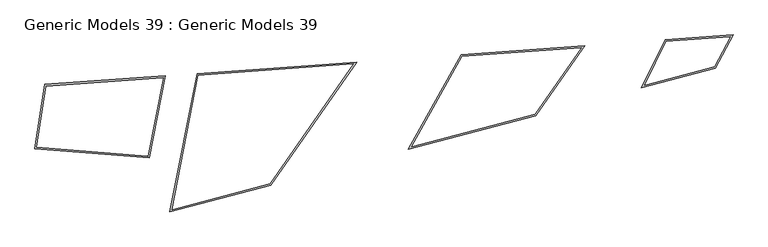
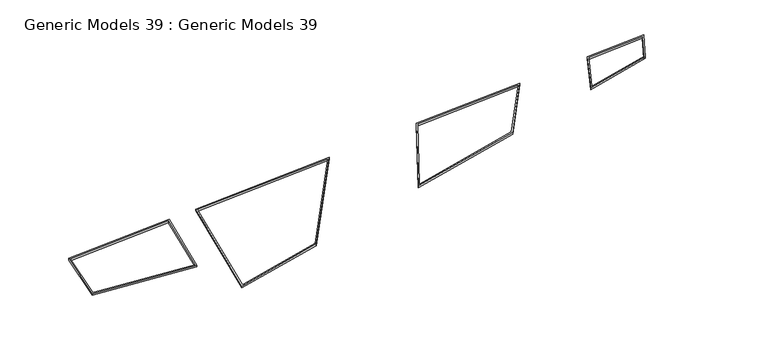
"""IFC4 building model written with IfcOpenShell, lengths in millimetres: proxy geometry, Generic Models 39 : Generic Models 39."""

import ifcopenshell
import ifcopenshell.guid

model = None  # the IFC model being written
_history = None  # IfcOwnerHistory: only IFC2X3 demands one
_inside = {}  # id of a spatial element -> (the spatial element, [elements in it])
_under = {}  # id of a project, library or spatial element -> (it, [spatial elements below it])
_declared = {}  # id of a project -> (the project, [libraries it declares])
_typed = {}  # id of a type object -> (the type object, [elements of that type])
_made_of = {}  # id of a material, layer set ... -> (it, [elements and type objects made of it])


def new_model(schema):
    """Start an empty IFC model of exactly this schema.

    Asked for "IFC4X3", IfcOpenShell would pick the latest addendum, in which some entities
    have other attributes; the version numbers below select the first issue.
    IFC2X3 requires an IfcOwnerHistory on every rooted entity: one is made here for all.
    """
    global model, _history
    if schema == "IFC4X3":
        model = ifcopenshell.file(schema_version=(4, 3, 0, 0))
    else:
        model = ifcopenshell.file(schema=schema)
    _inside.clear()
    _under.clear()
    _declared.clear()
    _typed.clear()
    _made_of.clear()
    _history = None
    if model.schema == "IFC2X3":
        org = make("IfcOrganization", Name="unknown")
        user = make(
            "IfcPersonAndOrganization",
            ThePerson=make("IfcPerson", FamilyName="unknown"),
            TheOrganization=org,
        )
        app = make(
            "IfcApplication",
            ApplicationDeveloper=org,
            Version="unknown",
            ApplicationFullName="unknown",
            ApplicationIdentifier="unknown",
        )
        _history = make(
            "IfcOwnerHistory",
            OwningUser=user,
            OwningApplication=app,
            ChangeAction="ADDED",
            CreationDate=0,
        )
    return model


def make(cls, **values):
    """One entity of the class cls with the attributes given. An attribute that is None is left unset."""
    return model.create_entity(
        cls, **{name: value for name, value in values.items() if value is not None}
    )


def rooted(cls, **values):
    """An entity with a GlobalId (a new one), such as an element, a storey or a relation."""
    return make(cls, GlobalId=ifcopenshell.guid.new(), OwnerHistory=_history, **values)


def si_unit(unit_type, name, prefix=None):
    """IfcSIUnit, for example si_unit("LENGTHUNIT", "METRE", prefix="MILLI")."""
    return make("IfcSIUnit", UnitType=unit_type, Prefix=prefix, Name=name)


def assignment(units):
    """IfcUnitAssignment: the units of a project."""
    return None if units is None else make("IfcUnitAssignment", Units=units)


def point(xyz):
    """IfcCartesianPoint."""
    return None if xyz is None else make("IfcCartesianPoint", Coordinates=xyz)


def direction(xyz):
    """IfcDirection."""
    return None if xyz is None else make("IfcDirection", DirectionRatios=xyz)


def frame(location, z_axis=None, x_axis=None):
    """IfcAxis2Placement3D, a coordinate frame: its origin and axes. An axis left out is left unset."""
    return make(
        "IfcAxis2Placement3D",
        Location=point(location),
        Axis=direction(z_axis),
        RefDirection=direction(x_axis),
    )


def origin():
    """The frame at (0, 0, 0) with its axes left unset."""
    return frame((0.0, 0.0, 0.0))


def place(relative_to, where):
    """IfcLocalPlacement: puts the frame where relative to a parent placement (None: the world)."""
    return make(
        "IfcLocalPlacement", PlacementRelTo=relative_to, RelativePlacement=where
    )


def context(
    kind, dimensions, precision=None, world=None, true_north=None, identifier=None
):
    """IfcGeometricRepresentationContext, for example the 3D "Model" context."""
    return make(
        "IfcGeometricRepresentationContext",
        ContextIdentifier=identifier,
        ContextType=kind,
        CoordinateSpaceDimension=dimensions,
        Precision=precision,
        WorldCoordinateSystem=world,
        TrueNorth=true_north,
    )


def project(units=None, contexts=None):
    """IfcProject with its units and contexts."""
    return rooted(
        "IfcProject",
        Name="project",
        RepresentationContexts=contexts,
        UnitsInContext=assignment(units),
    )


def spatial(cls, under=None, at=None, **own):
    """A site, building, storey or space (cls), placed at a placement, below another one or the project."""
    s = rooted(cls, ObjectPlacement=at, **own)
    if under is not None:
        _under.setdefault(under.id(), (under, []))[1].append(s)
    return s


def polyline(points):
    """IfcPolyline through the points."""
    return make("IfcPolyline", Points=[point(p) for p in points])


def outline(outer, holes=None, kind="AREA"):
    """IfcArbitraryClosedProfileDef: a profile drawn as a closed curve; with holes, ...WithVoids."""
    if holes is None:
        return make("IfcArbitraryClosedProfileDef", ProfileType=kind, OuterCurve=outer)
    return make(
        "IfcArbitraryProfileDefWithVoids",
        ProfileType=kind,
        OuterCurve=outer,
        InnerCurves=holes,
    )


def extrude(swept, where, along, depth):
    """IfcExtrudedAreaSolid: the profile swept, set in the frame where, extruded along a direction by depth."""
    return make(
        "IfcExtrudedAreaSolid",
        SweptArea=swept,
        Position=where,
        ExtrudedDirection=direction(along),
        Depth=depth,
    )


def shape(context_of_items, identifier, shape_type, items):
    """IfcShapeRepresentation: the items that make up one representation, for example the "Body"."""
    return make(
        "IfcShapeRepresentation",
        ContextOfItems=context_of_items,
        RepresentationIdentifier=identifier,
        RepresentationType=shape_type,
        Items=items,
    )


def source(mapping_origin, context_of_items, identifier, shape_type, items):
    """IfcRepresentationMap: a shape defined once, which mapped items show again and again."""
    return make(
        "IfcRepresentationMap",
        MappingOrigin=mapping_origin,
        MappedRepresentation=shape(context_of_items, identifier, shape_type, items),
    )


def transform(
    local_origin,
    x_axis=None,
    y_axis=None,
    z_axis=None,
    scale=None,
    scale2=None,
    scale3=None,
    uniform=True,
):
    """IfcCartesianTransformationOperator3D, or its non-uniform kind. x_axis, y_axis, z_axis: its Axis1, 2, 3."""
    if uniform:
        return make(
            "IfcCartesianTransformationOperator3D",
            Axis1=direction(x_axis),
            Axis2=direction(y_axis),
            LocalOrigin=point(local_origin),
            Scale=scale,
            Axis3=direction(z_axis),
        )
    return make(
        "IfcCartesianTransformationOperator3DnonUniform",
        Axis1=direction(x_axis),
        Axis2=direction(y_axis),
        LocalOrigin=point(local_origin),
        Scale=scale,
        Axis3=direction(z_axis),
        Scale2=scale2,
        Scale3=scale3,
    )


def mapped(mapping_source, mapping_target):
    """IfcMappedItem: shows the shape of a source again, moved by a transform."""
    return make(
        "IfcMappedItem", MappingSource=mapping_source, MappingTarget=mapping_target
    )


def made_of(thing, what):
    """Note that an element or type object is made of a material, layer set ...; save() writes the relation."""
    if what is not None:
        _made_of.setdefault(what.id(), (what, []))[1].append(thing)
    return thing


def element(
    cls,
    number,
    at=None,
    inside=None,
    cuts=None,
    type_object=None,
    material=None,
    context=None,
    identifier="Body",
    shape_type=None,
    held_by="IfcProductDefinitionShape",
    body=None,
    shapes=None,
    **own,
):
    """One element of the class cls, such as IfcWall. Its Tag is "e" and its number.

    at: its placement. inside: the storey or other place that contains it. cuts: it is an
    opening in that element (IfcRelVoidsElement). A single representation is given by context,
    identifier, shape_type and body (its items); several are given by shapes. held_by: the class
    of the entity that holds the representations. save() writes the other relations.
    """
    e = rooted(cls, Tag="e%d" % number, ObjectPlacement=at, **own)
    if body is not None:
        shapes = [shape(context, identifier, shape_type, body)]
    if shapes is not None:
        e.Representation = make(held_by, Representations=shapes)
    if inside is not None:
        _inside.setdefault(inside.id(), (inside, []))[1].append(e)
    if cuts is not None:
        rooted(
            "IfcRelVoidsElement", RelatingBuildingElement=cuts, RelatedOpeningElement=e
        )
    if type_object is not None:
        _typed.setdefault(type_object.id(), (type_object, []))[1].append(e)
    return made_of(e, material)


def aggregate(whole, parts):
    """IfcRelAggregates: a whole, such as a stair, and the parts it consists of."""
    return rooted("IfcRelAggregates", RelatingObject=whole, RelatedObjects=parts)


def save(model, path):
    """Write the relations noted so far, then the file.

    IfcRelAggregates (storeys below a building ...), IfcRelContainedInSpatialStructure (elements
    in a storey), IfcRelDefinesByType, IfcRelAssociatesMaterial and IfcRelDeclares: one each for
    every whole, place, type object, material and project.
    """
    for whole, parts in _under.values():
        aggregate(whole, parts)
    for where, things in _inside.values():
        rooted(
            "IfcRelContainedInSpatialStructure",
            RelatedElements=things,
            RelatingStructure=where,
        )
    for kind, things in _typed.values():
        rooted("IfcRelDefinesByType", RelatedObjects=things, RelatingType=kind)
    for what, things in _made_of.values():
        rooted("IfcRelAssociatesMaterial", RelatedObjects=things, RelatingMaterial=what)
    for by, libraries in _declared.values():
        rooted("IfcRelDeclares", RelatingContext=by, RelatedDefinitions=libraries)
    model.write(path)


def generic_models_39_generic_models_39_b9f0fe90(model_context):
    return source(origin(), model_context, "Body", "SweptSolid", [
        extrude(outline(polyline([(-256970.778082, -48914.1268667), (-242829.8317971, -47895.1050482), (-244712.5576132, -57537.586298), (-258152.3051888, -56458.390928), (-256970.778082, -48914.1268667)]), holes=[polyline([(-257921.3484146, -56276.2927224), (-244874.617126, -57323.929363), (-243076.2272912, -48113.3793648), (-256797.7916505, -49102.1797734), (-257921.3484146, -56276.2927224)])]), frame((0.0, 0.0, 4680.0), z_axis=(0.0, 0.0, 1.0), x_axis=(1.0, 0.0, 0.0)), (0.0, 0.0, 1.0), 250.0),
        extrude(outline(polyline([(-242284.3474716, -63887.1394198), (-239109.5046528, -47627.0116367), (-220324.1527978, -46273.3056668), (-230442.0026439, -60767.7002914), (-242284.3474716, -63887.1394198)]), holes=[polyline([(-238942.5304643, -47815.4977965), (-242026.9494054, -63612.5148402), (-230563.9635241, -60593.00416), (-220728.3664334, -46502.9526402), (-238942.5304643, -47815.4977965)])]), frame((0.0, 0.0, 4680.0), z_axis=(0.0, 0.0, 1.0), x_axis=(1.0, 0.0, 0.0)), (0.0, 0.0, 1.0), 250.0),
        extrude(outline(polyline([(-214310.0433251, -56518.3167573), (-208092.2432372, -45391.8524407), (-193566.0632456, -44345.0699941), (-199304.448967, -52565.6334951), (-214310.0433251, -56518.3167573)]), holes=[polyline([(-207970.2768812, -45583.5819451), (-213905.8565788, -56205.0259879), (-199426.4098471, -52390.9373637), (-193970.2768812, -44574.7169675), (-207970.2768812, -45583.5819451)])]), frame((0.0, 0.0, 4680.0), z_axis=(0.0, 0.0, 1.0), x_axis=(1.0, 0.0, 0.0)), (0.0, 0.0, 1.0), 250.0),
        extrude(outline(polyline([(-184098.4297699, -43662.8154344), (-176133.8454805, -43088.8732808), (-178218.6444877, -47011.337914), (-186906.5612448, -49299.8566044), (-184098.4297699, -43662.8154344)]), holes=[polyline([(-183970.2768812, -43854.0991263), (-186530.7782423, -48994.0477782), (-178354.1895049, -46840.2200341), (-176480.1811585, -43314.3494653), (-183970.2768812, -43854.0991263)])]), frame((0.0, 0.0, 4680.0), z_axis=(0.0, 0.0, 1.0), x_axis=(1.0, 0.0, 0.0)), (0.0, 0.0, 1.0), 250.0),
    ])


if __name__ == "__main__":
    model = new_model("IFC4")
    model_context = context("Model", 3, world=origin())
    ifc_project = project(units=[si_unit("LENGTHUNIT", "METRE", prefix="MILLI")], contexts=[model_context])
    site = spatial("IfcSite", under=ifc_project)
    building = spatial("IfcBuilding", under=site)
    placement = place(None, origin())
    generic_models_39_generic_models_39_shape = generic_models_39_generic_models_39_b9f0fe90(model_context)
    element("IfcBuildingElementProxy", 1, Name="Generic Models 39 : Generic Models 39", ObjectType="Generic Models 39 : Generic Models 39", at=placement, inside=building, context=model_context, shape_type="MappedRepresentation", body=[
        mapped(generic_models_39_generic_models_39_shape, transform((0.0, 0.0, 0.0), x_axis=(1.0, 0.0, 0.0), y_axis=(0.0, 1.0, 0.0), z_axis=(0.0, 0.0, 1.0))),
    ])
    save(model, "model.ifc")
